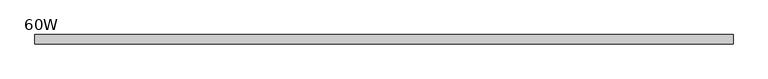
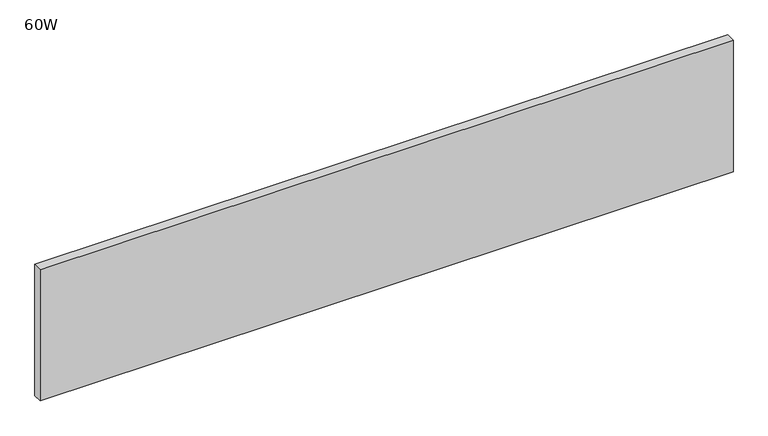
"""IFC4 building model written with IfcOpenShell, lengths in millimetres: furniture geometry, 60W."""

from ifc_helpers import new_model, si_unit, frame, origin, place, context, project, spatial, polyline, outline, extrude, source, transform, mapped, element, save


def furniture_60w_a480045d(model_context):
    return source(origin(), model_context, "Body", "SweptSolid", [
        extrude(outline(polyline([(1504.6838202, 0.0), (1504.6838202, -20.1670449), (-16.4460781, -20.1670449), (-16.4460781, 0.0), (1504.6838202, 0.0)])), frame((0.0, 0.0, 392.938), z_axis=(0.0, 0.0, 1.0), x_axis=(1.0, 0.0, 0.0)), (0.0, 0.0, 1.0), 304.8),
    ])


if __name__ == "__main__":
    model = new_model("IFC4")
    model_context = context("Model", 3, world=origin())
    ifc_project = project(units=[si_unit("LENGTHUNIT", "METRE", prefix="MILLI")], contexts=[model_context])
    site = spatial("IfcSite", under=ifc_project)
    building = spatial("IfcBuilding", under=site)
    placement = place(None, origin())
    furniture_60w_shape = furniture_60w_a480045d(model_context)
    element("IfcFurniture", 1, ObjectType="60W", at=placement, inside=building, context=model_context, shape_type="MappedRepresentation", body=[
        mapped(furniture_60w_shape, transform((0.0, 0.0, 0.0), x_axis=(1.0, 0.0, 0.0), y_axis=(0.0, 1.0, 0.0), z_axis=(0.0, 0.0, 1.0))),
    ])
    save(model, "model.ifc")
